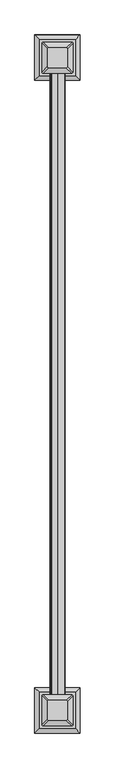
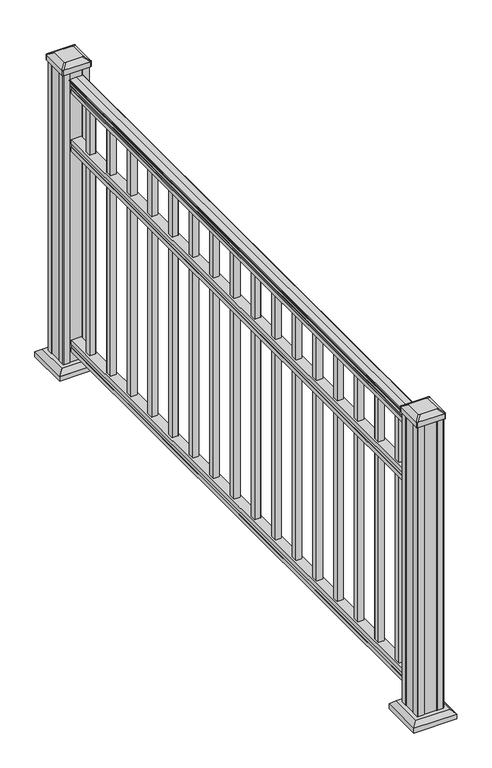
"""IFC4 building model written with IfcOpenShell, lengths in millimetres: railing geometry."""

from ifc_helpers import new_model, si_unit, point, frame, frame_2d, origin, origin_with_axes, place, context, project, spatial, polyline, circle_curve, trimmed, segment, composite_curve, outline, extrude, faceted_brep, source, transform, mapped, element, save
from ifc_brep_helpers import plane_surface, extruded_surface, advanced_brep


def railing_1520f9e8(model_context):
    return source(origin(), model_context, "Body", "SolidModel", [
        extrude(outline(composite_curve([segment(polyline([(938.4043297, -401.8210301), (940.292412, -401.8210301)]), True, "CONTINUOUS"), segment(trimmed(circle_curve(frame_2d((946.0506383, -408.1357833)), 8.545951), [point((940.292412, -401.8210301))], [point((941.8546695, -400.6908438))], False, "CARTESIAN"), True, "CONTINUOUS"), segment(trimmed(circle_curve(frame_2d((945.4636577, -407.6987204)), 7.882584), [point((941.8546695, -400.6908438))], [point((949.0726458, -400.6908438))], False, "CARTESIAN"), True, "CONTINUOUS"), segment(trimmed(circle_curve(frame_2d((951.3112527, -397.1853963)), 4.1592695), [point((949.0726458, -400.6908438))], [point((951.5060812, -401.3401002))], True, "CARTESIAN"), True, "CONTINUOUS"), segment(trimmed(circle_curve(frame_2d((951.2508864, -395.8980897)), 5.4479907), [point((951.5060812, -401.3401002))], [point((955.8362083, -398.8401002))], True, "CARTESIAN"), True, "CONTINUOUS"), segment(trimmed(circle_curve(frame_2d((955.833395, -397.1312481)), 1.7088543), [point((955.8362083, -398.8401002))], [point((957.5157972, -397.4307577))], True, "CARTESIAN"), True, "CONTINUOUS"), segment(trimmed(circle_curve(frame_2d((958.6205318, -398.7481482)), 1.7192895), [point((957.5157972, -397.4307577))], [point((958.6205318, -397.0288587))], False, "CARTESIAN"), True, "CONTINUOUS"), segment(polyline([(958.6205318, -397.0288587), (959.9608158, -397.0288588)]), True, "CONTINUOUS"), segment(trimmed(circle_curve(frame_2d((959.9608158, -398.582306)), 1.5534472), [point((959.9608158, -397.0288588))], [point((961.514263, -398.582306))], False, "CARTESIAN"), True, "CONTINUOUS"), segment(polyline([(961.514263, -398.582306), (961.514263, -419.2538588), (961.514263, -439.9254116)]), True, "CONTINUOUS"), segment(trimmed(circle_curve(frame_2d((959.9608158, -439.9254116)), 1.5534472), [point((961.514263, -439.9254116))], [point((959.9608158, -441.4788588))], False, "CARTESIAN"), True, "CONTINUOUS"), segment(polyline([(959.9608158, -441.4788588), (958.6205318, -441.4788588)]), True, "CONTINUOUS"), segment(trimmed(circle_curve(frame_2d((958.6205318, -439.7595694)), 1.7192895), [point((958.6205318, -441.4788588))], [point((957.5157972, -441.0769599))], False, "CARTESIAN"), True, "CONTINUOUS"), segment(trimmed(circle_curve(frame_2d((955.833395, -441.3764695)), 1.7088543), [point((957.5157972, -441.0769599))], [point((955.8362083, -439.6676174))], True, "CARTESIAN"), True, "CONTINUOUS"), segment(trimmed(circle_curve(frame_2d((951.2508864, -442.6096279)), 5.4479907), [point((955.8362083, -439.6676174))], [point((951.5060812, -437.1676174))], True, "CARTESIAN"), True, "CONTINUOUS"), segment(trimmed(circle_curve(frame_2d((951.3112527, -441.3223214)), 4.1592695), [point((951.5060812, -437.1676174))], [point((949.0726458, -437.8168738))], True, "CARTESIAN"), True, "CONTINUOUS"), segment(trimmed(circle_curve(frame_2d((945.4636577, -430.8089972)), 7.882584), [point((949.0726458, -437.8168738))], [point((941.8546695, -437.8168738))], False, "CARTESIAN"), True, "CONTINUOUS"), segment(trimmed(circle_curve(frame_2d((946.0506383, -430.3719343)), 8.545951), [point((941.8546695, -437.8168738))], [point((940.292412, -436.6866875))], False, "CARTESIAN"), True, "CONTINUOUS"), segment(polyline([(940.292412, -436.6866875), (938.4043297, -436.6866875)]), True, "CONTINUOUS"), segment(trimmed(circle_curve(frame_2d((938.4043297, -435.3997732)), 1.2869144), [point((938.4043297, -436.6866875))], [point((938.4043297, -434.1128588))], False, "CARTESIAN"), True, "CONTINUOUS"), segment(polyline([(938.4043297, -434.1128588), (927.9048283, -434.1128588), (926.8888283, -435.1288588), (914.4, -435.1288588), (914.4, -403.3788588), (926.731013, -403.3788588), (927.747013, -404.3948588), (938.4043297, -404.3948588)]), True, "CONTINUOUS"), segment(trimmed(circle_curve(frame_2d((938.4043297, -403.1079444)), 1.2869144), [point((938.4043297, -404.3948588))], [point((938.4043297, -401.8210301))], False, "CARTESIAN"), True, "CONTINUOUS")], self_intersect=False)), frame((0.0, -109953.0786705, 0.0), z_axis=(0.0, 1.0, 0.0), x_axis=(0.0, 0.0, 1.0)), (0.0, 0.0, 1.0), 1828.8),
        extrude(outline(polyline([(736.4541976, -403.3413719), (737.7546183, -404.3573719), (748.1141717, -404.3573719), (749.4624492, -403.3413719), (761.9958781, -403.3413719), (761.9958781, -435.0913719), (749.4458024, -435.0913719), (748.0975248, -434.0753719), (737.7858283, -434.0753719), (736.4375508, -435.0913719), (723.9, -435.0913719), (723.9, -403.3413719), (736.4541976, -403.3413719)])), frame((0.0, -109953.0786705, 0.0), z_axis=(0.0, 1.0, 0.0), x_axis=(0.0, 0.0, 1.0)), (0.0, 0.0, 1.0), 1828.8),
        extrude(outline(polyline([(76.0541976, -403.3413719), (77.3546183, -404.3573719), (87.7141717, -404.3573719), (89.0624492, -403.3413719), (101.5958781, -403.3413719), (101.5958781, -435.0913719), (89.0458024, -435.0913719), (87.6975248, -434.0753719), (77.3858283, -434.0753719), (76.0375508, -435.0913719), (63.5, -435.0913719), (63.5, -403.3413719), (76.0541976, -403.3413719)])), frame((0.0, -109953.0786705, 0.0), z_axis=(0.0, 1.0, 0.0), x_axis=(0.0, 0.0, 1.0)), (0.0, 0.0, 1.0), 1828.8),
        extrude(outline(polyline([(-409.7288588, -108212.7976705), (-428.7788588, -108212.7976705), (-428.7788588, -108193.7476705), (-409.7288588, -108193.7476705), (-409.7288588, -108212.7976705)]), holes=[polyline([(-410.1257338, -108212.4007955), (-410.1257338, -108194.1445455), (-428.3819838, -108194.1445455), (-428.3819838, -108212.4007955), (-410.1257338, -108212.4007955)])]), frame((0.0, 0.0, 101.5958781), z_axis=(0.0, 0.0, 1.0), x_axis=(1.0, 0.0, 0.0)), (0.0, 0.0, 1.0), 812.8041219),
        extrude(outline(polyline([(-409.7288588, -108324.0496705), (-428.7788588, -108324.0496705), (-428.7788588, -108304.9996705), (-409.7288588, -108304.9996705), (-409.7288588, -108324.0496705)]), holes=[polyline([(-410.1257338, -108323.6527955), (-410.1257338, -108305.3965455), (-428.3819838, -108305.3965455), (-428.3819838, -108323.6527955), (-410.1257338, -108323.6527955)])]), frame((0.0, 0.0, 101.5958781), z_axis=(0.0, 0.0, 1.0), x_axis=(1.0, 0.0, 0.0)), (0.0, 0.0, 1.0), 812.8041219),
        extrude(outline(polyline([(-409.7288588, -108435.3016705), (-428.7788588, -108435.3016705), (-428.7788588, -108416.2516705), (-409.7288588, -108416.2516705), (-409.7288588, -108435.3016705)]), holes=[polyline([(-410.1257338, -108434.9047955), (-410.1257338, -108416.6485455), (-428.3819838, -108416.6485455), (-428.3819838, -108434.9047955), (-410.1257338, -108434.9047955)])]), frame((0.0, 0.0, 101.5958781), z_axis=(0.0, 0.0, 1.0), x_axis=(1.0, 0.0, 0.0)), (0.0, 0.0, 1.0), 812.8041219),
        extrude(outline(polyline([(-409.7288588, -108546.5536705), (-428.7788588, -108546.5536705), (-428.7788588, -108527.5036705), (-409.7288588, -108527.5036705), (-409.7288588, -108546.5536705)]), holes=[polyline([(-410.1257338, -108546.1567955), (-410.1257338, -108527.9005455), (-428.3819838, -108527.9005455), (-428.3819838, -108546.1567955), (-410.1257338, -108546.1567955)])]), frame((0.0, 0.0, 101.5958781), z_axis=(0.0, 0.0, 1.0), x_axis=(1.0, 0.0, 0.0)), (0.0, 0.0, 1.0), 812.8041219),
        extrude(outline(polyline([(-409.7288588, -108657.8056705), (-428.7788588, -108657.8056705), (-428.7788588, -108638.7556705), (-409.7288588, -108638.7556705), (-409.7288588, -108657.8056705)]), holes=[polyline([(-410.1257338, -108657.4087955), (-410.1257338, -108639.1525455), (-428.3819838, -108639.1525455), (-428.3819838, -108657.4087955), (-410.1257338, -108657.4087955)])]), frame((0.0, 0.0, 101.5958781), z_axis=(0.0, 0.0, 1.0), x_axis=(1.0, 0.0, 0.0)), (0.0, 0.0, 1.0), 812.8041219),
        extrude(outline(polyline([(-409.7288588, -108769.0576705), (-428.7788588, -108769.0576705), (-428.7788588, -108750.0076705), (-409.7288588, -108750.0076705), (-409.7288588, -108769.0576705)]), holes=[polyline([(-410.1257338, -108768.6607955), (-410.1257338, -108750.4045455), (-428.3819838, -108750.4045455), (-428.3819838, -108768.6607955), (-410.1257338, -108768.6607955)])]), frame((0.0, 0.0, 101.5958781), z_axis=(0.0, 0.0, 1.0), x_axis=(1.0, 0.0, 0.0)), (0.0, 0.0, 1.0), 812.8041219),
        extrude(outline(polyline([(-409.7288588, -108880.3096705), (-428.7788588, -108880.3096705), (-428.7788588, -108861.2596705), (-409.7288588, -108861.2596705), (-409.7288588, -108880.3096705)]), holes=[polyline([(-410.1257338, -108879.9127955), (-410.1257338, -108861.6565455), (-428.3819838, -108861.6565455), (-428.3819838, -108879.9127955), (-410.1257338, -108879.9127955)])]), frame((0.0, 0.0, 101.5958781), z_axis=(0.0, 0.0, 1.0), x_axis=(1.0, 0.0, 0.0)), (0.0, 0.0, 1.0), 812.8041219),
        extrude(outline(polyline([(-409.7288588, -108991.5616705), (-428.7788588, -108991.5616705), (-428.7788588, -108972.5116705), (-409.7288588, -108972.5116705), (-409.7288588, -108991.5616705)]), holes=[polyline([(-410.1257338, -108991.1647955), (-410.1257338, -108972.9085455), (-428.3819838, -108972.9085455), (-428.3819838, -108991.1647955), (-410.1257338, -108991.1647955)])]), frame((0.0, 0.0, 101.5958781), z_axis=(0.0, 0.0, 1.0), x_axis=(1.0, 0.0, 0.0)), (0.0, 0.0, 1.0), 812.8041219),
        extrude(outline(polyline([(-409.7288588, -109102.8136705), (-428.7788588, -109102.8136705), (-428.7788588, -109083.7636705), (-409.7288588, -109083.7636705), (-409.7288588, -109102.8136705)]), holes=[polyline([(-410.1257338, -109102.4167955), (-410.1257338, -109084.1605455), (-428.3819838, -109084.1605455), (-428.3819838, -109102.4167955), (-410.1257338, -109102.4167955)])]), frame((0.0, 0.0, 101.5958781), z_axis=(0.0, 0.0, 1.0), x_axis=(1.0, 0.0, 0.0)), (0.0, 0.0, 1.0), 812.8041219),
        extrude(outline(polyline([(-409.7288588, -109214.0656705), (-428.7788588, -109214.0656705), (-428.7788588, -109195.0156705), (-409.7288588, -109195.0156705), (-409.7288588, -109214.0656705)]), holes=[polyline([(-410.1257338, -109213.6687955), (-410.1257338, -109195.4125455), (-428.3819838, -109195.4125455), (-428.3819838, -109213.6687955), (-410.1257338, -109213.6687955)])]), frame((0.0, 0.0, 101.5958781), z_axis=(0.0, 0.0, 1.0), x_axis=(1.0, 0.0, 0.0)), (0.0, 0.0, 1.0), 812.8041219),
        extrude(outline(polyline([(-409.7288588, -109325.3176705), (-428.7788588, -109325.3176705), (-428.7788588, -109306.2676705), (-409.7288588, -109306.2676705), (-409.7288588, -109325.3176705)]), holes=[polyline([(-410.1257338, -109324.9207955), (-410.1257338, -109306.6645455), (-428.3819838, -109306.6645455), (-428.3819838, -109324.9207955), (-410.1257338, -109324.9207955)])]), frame((0.0, 0.0, 101.5958781), z_axis=(0.0, 0.0, 1.0), x_axis=(1.0, 0.0, 0.0)), (0.0, 0.0, 1.0), 812.8041219),
        extrude(outline(polyline([(-409.7288588, -109436.5696705), (-428.7788588, -109436.5696705), (-428.7788588, -109417.5196705), (-409.7288588, -109417.5196705), (-409.7288588, -109436.5696705)]), holes=[polyline([(-410.1257338, -109436.1727955), (-410.1257338, -109417.9165455), (-428.3819838, -109417.9165455), (-428.3819838, -109436.1727955), (-410.1257338, -109436.1727955)])]), frame((0.0, 0.0, 101.5958781), z_axis=(0.0, 0.0, 1.0), x_axis=(1.0, 0.0, 0.0)), (0.0, 0.0, 1.0), 812.8041219),
        extrude(outline(polyline([(-409.7288588, -109547.8216705), (-428.7788588, -109547.8216705), (-428.7788588, -109528.7716705), (-409.7288588, -109528.7716705), (-409.7288588, -109547.8216705)]), holes=[polyline([(-410.1257338, -109547.4247955), (-410.1257338, -109529.1685455), (-428.3819838, -109529.1685455), (-428.3819838, -109547.4247955), (-410.1257338, -109547.4247955)])]), frame((0.0, 0.0, 101.5958781), z_axis=(0.0, 0.0, 1.0), x_axis=(1.0, 0.0, 0.0)), (0.0, 0.0, 1.0), 812.8041219),
        extrude(outline(polyline([(-409.7288588, -109659.0736705), (-428.7788588, -109659.0736705), (-428.7788588, -109640.0236705), (-409.7288588, -109640.0236705), (-409.7288588, -109659.0736705)]), holes=[polyline([(-410.1257338, -109658.6767955), (-410.1257338, -109640.4205455), (-428.3819838, -109640.4205455), (-428.3819838, -109658.6767955), (-410.1257338, -109658.6767955)])]), frame((0.0, 0.0, 101.5958781), z_axis=(0.0, 0.0, 1.0), x_axis=(1.0, 0.0, 0.0)), (0.0, 0.0, 1.0), 812.8041219),
        extrude(outline(polyline([(-409.7288588, -109770.3256705), (-428.7788588, -109770.3256705), (-428.7788588, -109751.2756705), (-409.7288588, -109751.2756705), (-409.7288588, -109770.3256705)]), holes=[polyline([(-410.1257338, -109769.9287955), (-410.1257338, -109751.6725455), (-428.3819838, -109751.6725455), (-428.3819838, -109769.9287955), (-410.1257338, -109769.9287955)])]), frame((0.0, 0.0, 101.5958781), z_axis=(0.0, 0.0, 1.0), x_axis=(1.0, 0.0, 0.0)), (0.0, 0.0, 1.0), 812.8041219),
        extrude(outline(polyline([(-409.7288588, -109881.5776705), (-428.7788588, -109881.5776705), (-428.7788588, -109862.5276705), (-409.7288588, -109862.5276705), (-409.7288588, -109881.5776705)]), holes=[polyline([(-410.1257338, -109881.1807955), (-410.1257338, -109862.9245455), (-428.3819838, -109862.9245455), (-428.3819838, -109881.1807955), (-410.1257338, -109881.1807955)])]), frame((0.0, 0.0, 101.5958781), z_axis=(0.0, 0.0, 1.0), x_axis=(1.0, 0.0, 0.0)), (0.0, 0.0, 1.0), 812.8041219),
        faceted_brep([(-366.6679213, -108135.462608, 28.575), (-366.6679213, -108030.290733, 28.575), (-471.8397963, -108030.290733, 28.575), (-471.8397963, -108135.462608, 28.575), (-352.6284682, -108149.5020611, 15.24), (-485.8792494, -108149.5020611, 15.24), (-485.8792494, -108016.2512798, 15.24), (-352.6284682, -108016.2512798, 15.24)], [[[0, 1, 2, 3]], [[4, 5, 6, 7]], [[4, 0, 3, 5]], [[5, 3, 2, 6]], [[6, 2, 1, 7]], [[7, 1, 0, 4]]]),
        extrude(outline(polyline([(-352.6284682, -108149.5020611), (-485.8792494, -108149.5020611), (-485.8792494, -108016.2512798), (-352.6284682, -108016.2512798), (-352.6284682, -108149.5020611)])), origin_with_axes(), (0.0, 0.0, 1.0), 15.24),
        advanced_brep(
        [(-445.0507338, -108111.8485455, 1012.825), (-393.4569838, -108111.8485455, 1012.825), (-390.2819838, -108108.6735455, 1012.825), (-390.2819838, -108057.0797955, 1012.825), (-393.4569838, -108053.9047955, 1012.825), (-445.0507338, -108053.9047955, 1012.825), (-448.2257338, -108057.0797955, 1012.825), (-448.2257338, -108108.6735455, 1012.825), (-461.3226088, -108128.1204205, 1001.522), (-464.4976088, -108124.9454205, 1001.522), (-464.4976088, -108040.8079205, 1001.522), (-461.3226088, -108037.6329205, 1001.522), (-377.1851088, -108037.6329205, 1001.522), (-374.0101088, -108040.8079205, 1001.522), (-374.0101088, -108124.9454205, 1001.522), (-377.1851088, -108128.1204205, 1001.522)],
        [
            (0, 1),
            (1, 2, circle_curve(frame((-393.4569838, -108108.6735455, 1012.825), z_axis=(0.0, 0.0, 1.0), x_axis=(0.0, 1.0, 0.0)), 3.175)),
            (2, 3),
            (3, 4, circle_curve(frame((-393.4569838, -108057.0797955, 1012.825), z_axis=(0.0, 0.0, 1.0), x_axis=(0.0, 1.0, 0.0)), 3.175)),
            (4, 5),
            (5, 6, circle_curve(frame((-445.0507338, -108057.0797955, 1012.825), z_axis=(0.0, 0.0, 1.0), x_axis=(0.0, 1.0, 0.0)), 3.175)),
            (6, 7),
            (7, 0, circle_curve(frame((-445.0507338, -108108.6735455, 1012.825), z_axis=(0.0, 0.0, 1.0), x_axis=(0.0, 1.0, 0.0)), 3.175)),
            (8, 9, circle_curve(frame((-461.3226088, -108124.9454205, 1001.522), z_axis=(0.0, 0.0, -1.0), x_axis=(0.0, 1.0, 0.0)), 3.175)),
            (9, 10),
            (10, 11, circle_curve(frame((-461.3226088, -108040.8079205, 1001.522), z_axis=(0.0, 0.0, -1.0), x_axis=(0.0, 1.0, 0.0)), 3.175)),
            (11, 12),
            (12, 13, circle_curve(frame((-377.1851088, -108040.8079205, 1001.522), z_axis=(0.0, 0.0, -1.0), x_axis=(0.0, 1.0, 0.0)), 3.175)),
            (13, 14),
            (14, 15, circle_curve(frame((-377.1851088, -108124.9454205, 1001.522), z_axis=(0.0, 0.0, -1.0), x_axis=(0.0, 1.0, 0.0)), 3.175)),
            (15, 8),
            (8, 0),
            (7, 9),
            (6, 10),
            (5, 11),
            (4, 12),
            (3, 13),
            (2, 14),
            (1, 15),
        ],
        [
            plane_surface(frame((-419.2538588, -108082.8766705, 1012.825), z_axis=(0.0, 0.0, 1.0), x_axis=(-1.0, 0.0, 0.0))),
            plane_surface(frame((-419.2538588, -108082.8766705, 1001.522), z_axis=(0.0, 0.0, -1.0), x_axis=(-1.0, 0.0, 0.0))),
            extruded_surface(trimmed(circle_curve(frame((-445.0507338, -108108.6735455, 1012.825), z_axis=(0.0, 0.0, -1.0), x_axis=(0.0, 1.0, 0.0)), 3.175), [point((-445.0507338, -108111.8485455, 1012.825))], [point((-448.2257338, -108108.6735455, 1012.825))], True, "CARTESIAN"), (-16.271875000000023, -16.27187499999127, -11.302999999999997), 25.637972638860635),
            plane_surface(frame((-464.4976088, -108082.8766705, 1001.522), z_axis=(-0.5705009161540779, 0.0, 0.8212969649690408), x_axis=(0.0, 1.0, 0.0))),
            extruded_surface(trimmed(circle_curve(frame((-445.0507338, -108057.0797955, 1012.825), z_axis=(0.0, 0.0, -1.0), x_axis=(0.0, 1.0, 0.0)), 3.175), [point((-448.2257338, -108057.0797955, 1012.825))], [point((-445.0507338, -108053.9047955, 1012.825))], True, "CARTESIAN"), (-16.271875000000023, 16.27187500000582, -11.302999999999997), 25.637972638869872),
            plane_surface(frame((-419.2538588, -108037.6329205, 1001.522), z_axis=(0.0, 0.5705009161540291, 0.8212969649690747), x_axis=(1.0, 0.0, 0.0))),
            extruded_surface(trimmed(circle_curve(frame((-393.4569838, -108057.0797955, 1012.825), z_axis=(0.0, 0.0, -1.0), x_axis=(0.0, 1.0, 0.0)), 3.175), [point((-393.4569838, -108053.9047955, 1012.825))], [point((-390.2819838, -108057.0797955, 1012.825))], True, "CARTESIAN"), (16.271874999999966, 16.27187500000582, -11.302999999999997), 25.637972638869837),
            plane_surface(frame((-374.0101088, -108082.8766705, 1001.522), z_axis=(0.5705009161540141, 0.0, 0.8212969649690851), x_axis=(0.0, -1.0, 0.0))),
            extruded_surface(trimmed(circle_curve(frame((-393.4569838, -108108.6735455, 1012.825), z_axis=(0.0, 0.0, -1.0), x_axis=(0.0, 1.0, 0.0)), 3.175), [point((-390.2819838, -108108.6735455, 1012.825))], [point((-393.4569838, -108111.8485455, 1012.825))], True, "CARTESIAN"), (16.271874999999966, -16.27187499999127, -11.302999999999997), 25.6379726388606),
            plane_surface(frame((-419.2538588, -108128.1204205, 1001.522), z_axis=(0.0, -0.570500916154034, 0.8212969649690713), x_axis=(-1.0, 0.0, 0.0))),
        ],
        [
            (0, [[1, 2, 3, 4, 5, 6, 7, 8]]),
            (1, [[9, 10, 11, 12, 13, 14, 15, 16]]),
            (2, [[17, -8, 18, -9]]),
            (3, [[-18, -7, 19, -10]]),
            (4, [[-19, -6, 20, -11]]),
            (5, [[-20, -5, 21, -12]]),
            (6, [[-21, -4, 22, -13]]),
            (7, [[-22, -3, 23, -14]]),
            (8, [[-23, -2, 24, -15]]),
            (9, [[-24, -1, -17, -16]]),
        ],
    ),
        extrude(outline(composite_curve([segment(trimmed(circle_curve(frame_2d((-461.3226088, -108124.9454205)), 3.175), [point((-461.3226088, -108128.1204205))], [point((-464.4976088, -108124.9454205))], False, "CARTESIAN"), True, "CONTINUOUS"), segment(polyline([(-464.4976088, -108124.9454205), (-464.4976088, -108040.8079205)]), True, "CONTINUOUS"), segment(trimmed(circle_curve(frame_2d((-461.3226088, -108040.8079205)), 3.175), [point((-464.4976088, -108040.8079205))], [point((-461.3226088, -108037.6329205))], False, "CARTESIAN"), True, "CONTINUOUS"), segment(polyline([(-461.3226088, -108037.6329205), (-377.1851088, -108037.6329205)]), True, "CONTINUOUS"), segment(trimmed(circle_curve(frame_2d((-377.1851088, -108040.8079205)), 3.175), [point((-377.1851088, -108037.6329205))], [point((-374.0101088, -108040.8079205))], False, "CARTESIAN"), True, "CONTINUOUS"), segment(polyline([(-374.0101088, -108040.8079205), (-374.0101088, -108124.9454205)]), True, "CONTINUOUS"), segment(trimmed(circle_curve(frame_2d((-377.1851088, -108124.9454205)), 3.175), [point((-374.0101088, -108124.9454205))], [point((-377.1851088, -108128.1204205))], False, "CARTESIAN"), True, "CONTINUOUS"), segment(polyline([(-377.1851088, -108128.1204205), (-461.3226088, -108128.1204205)]), True, "CONTINUOUS")], self_intersect=False)), frame((0.0, 0.0, 984.25), z_axis=(0.0, 0.0, 1.0), x_axis=(1.0, 0.0, 0.0)), (0.0, 0.0, 1.0), 17.272),
        extrude(outline(polyline([(-458.9413588, -108124.1516705), (-460.5288588, -108122.5641705), (-460.5288588, -108102.9426705), (-458.9413588, -108102.1806705), (-458.9413588, -108063.5726705), (-460.5288588, -108062.8106705), (-460.5288588, -108043.1891705), (-458.9413588, -108041.6016705), (-439.3198588, -108041.6016705), (-438.5578588, -108043.1891705), (-399.9498588, -108043.1891705), (-399.1878588, -108041.6016705), (-379.5663588, -108041.6016705), (-377.9788588, -108043.1891705), (-377.9788588, -108062.8106705), (-379.5663588, -108063.5726705), (-379.5663588, -108102.1806705), (-377.9788588, -108102.9426705), (-377.9788588, -108122.5641705), (-379.5663588, -108124.1516705), (-399.1878588, -108124.1516705), (-399.9498588, -108122.5641705), (-438.5578588, -108122.5641705), (-439.3198588, -108124.1516705), (-458.9413588, -108124.1516705)])), origin_with_axes(), (0.0, 0.0, 1.0), 984.25),
        faceted_brep([(-366.6679213, -110047.066608, 28.575), (-366.6679213, -109941.894733, 28.575), (-471.8397963, -109941.894733, 28.575), (-471.8397963, -110047.066608, 28.575), (-352.6284682, -110061.1060611, 15.24), (-485.8792494, -110061.1060611, 15.24), (-485.8792494, -109927.8552798, 15.24), (-352.6284682, -109927.8552798, 15.24)], [[[0, 1, 2, 3]], [[4, 5, 6, 7]], [[4, 0, 3, 5]], [[5, 3, 2, 6]], [[6, 2, 1, 7]], [[7, 1, 0, 4]]]),
        extrude(outline(polyline([(-352.6284682, -110061.1060611), (-485.8792494, -110061.1060611), (-485.8792494, -109927.8552798), (-352.6284682, -109927.8552798), (-352.6284682, -110061.1060611)])), origin_with_axes(), (0.0, 0.0, 1.0), 15.24),
        advanced_brep(
        [(-445.0507338, -110023.4525455, 1012.825), (-393.4569838, -110023.4525455, 1012.825), (-390.2819838, -110020.2775455, 1012.825), (-390.2819838, -109968.6837955, 1012.825), (-393.4569838, -109965.5087955, 1012.825), (-445.0507338, -109965.5087955, 1012.825), (-448.2257338, -109968.6837955, 1012.825), (-448.2257338, -110020.2775455, 1012.825), (-461.3226088, -110039.7244205, 1001.522), (-464.4976088, -110036.5494205, 1001.522), (-464.4976088, -109952.4119205, 1001.522), (-461.3226088, -109949.2369205, 1001.522), (-377.1851088, -109949.2369205, 1001.522), (-374.0101088, -109952.4119205, 1001.522), (-374.0101088, -110036.5494205, 1001.522), (-377.1851088, -110039.7244205, 1001.522)],
        [
            (0, 1),
            (1, 2, circle_curve(frame((-393.4569838, -110020.2775455, 1012.825), z_axis=(0.0, 0.0, 1.0), x_axis=(0.0, 1.0, 0.0)), 3.175)),
            (2, 3),
            (3, 4, circle_curve(frame((-393.4569838, -109968.6837955, 1012.825), z_axis=(0.0, 0.0, 1.0), x_axis=(0.0, 1.0, 0.0)), 3.175)),
            (4, 5),
            (5, 6, circle_curve(frame((-445.0507338, -109968.6837955, 1012.825), z_axis=(0.0, 0.0, 1.0), x_axis=(0.0, 1.0, 0.0)), 3.175)),
            (6, 7),
            (7, 0, circle_curve(frame((-445.0507338, -110020.2775455, 1012.825), z_axis=(0.0, 0.0, 1.0), x_axis=(0.0, 1.0, 0.0)), 3.175)),
            (8, 9, circle_curve(frame((-461.3226088, -110036.5494205, 1001.522), z_axis=(0.0, 0.0, -1.0), x_axis=(0.0, 1.0, 0.0)), 3.175)),
            (9, 10),
            (10, 11, circle_curve(frame((-461.3226088, -109952.4119205, 1001.522), z_axis=(0.0, 0.0, -1.0), x_axis=(0.0, 1.0, 0.0)), 3.175)),
            (11, 12),
            (12, 13, circle_curve(frame((-377.1851088, -109952.4119205, 1001.522), z_axis=(0.0, 0.0, -1.0), x_axis=(0.0, 1.0, 0.0)), 3.175)),
            (13, 14),
            (14, 15, circle_curve(frame((-377.1851088, -110036.5494205, 1001.522), z_axis=(0.0, 0.0, -1.0), x_axis=(0.0, 1.0, 0.0)), 3.175)),
            (15, 8),
            (8, 0),
            (7, 9),
            (6, 10),
            (5, 11),
            (4, 12),
            (3, 13),
            (2, 14),
            (1, 15),
        ],
        [
            plane_surface(frame((-419.2538588, -109994.4806705, 1012.825), z_axis=(0.0, 0.0, 1.0), x_axis=(-1.0, 0.0, 0.0))),
            plane_surface(frame((-419.2538588, -109994.4806705, 1001.522), z_axis=(0.0, 0.0, -1.0), x_axis=(-1.0, 0.0, 0.0))),
            extruded_surface(trimmed(circle_curve(frame((-445.0507338, -110020.2775455, 1012.825), z_axis=(0.0, 0.0, -1.0), x_axis=(0.0, 1.0, 0.0)), 3.175), [point((-445.0507338, -110023.4525455, 1012.825))], [point((-448.2257338, -110020.2775455, 1012.825))], True, "CARTESIAN"), (-16.271875000000023, -16.27187500000582, -11.302999999999997), 25.637972638869872),
            plane_surface(frame((-464.4976088, -109994.4806705, 1001.522), z_axis=(-0.5705009161540779, 0.0, 0.8212969649690408), x_axis=(0.0, 1.0, 0.0))),
            extruded_surface(trimmed(circle_curve(frame((-445.0507338, -109968.6837955, 1012.825), z_axis=(0.0, 0.0, -1.0), x_axis=(0.0, 1.0, 0.0)), 3.175), [point((-448.2257338, -109968.6837955, 1012.825))], [point((-445.0507338, -109965.5087955, 1012.825))], True, "CARTESIAN"), (-16.271875000000023, 16.27187499999127, -11.302999999999997), 25.637972638860635),
            plane_surface(frame((-419.2538588, -109949.2369205, 1001.522), z_axis=(0.0, 0.5705009161540291, 0.8212969649690747), x_axis=(1.0, 0.0, 0.0))),
            extruded_surface(trimmed(circle_curve(frame((-393.4569838, -109968.6837955, 1012.825), z_axis=(0.0, 0.0, -1.0), x_axis=(0.0, 1.0, 0.0)), 3.175), [point((-393.4569838, -109965.5087955, 1012.825))], [point((-390.2819838, -109968.6837955, 1012.825))], True, "CARTESIAN"), (16.271874999999966, 16.27187499999127, -11.302999999999997), 25.6379726388606),
            plane_surface(frame((-374.0101088, -109994.4806705, 1001.522), z_axis=(0.5705009161540141, 0.0, 0.8212969649690851), x_axis=(0.0, -1.0, 0.0))),
            extruded_surface(trimmed(circle_curve(frame((-393.4569838, -110020.2775455, 1012.825), z_axis=(0.0, 0.0, -1.0), x_axis=(0.0, 1.0, 0.0)), 3.175), [point((-390.2819838, -110020.2775455, 1012.825))], [point((-393.4569838, -110023.4525455, 1012.825))], True, "CARTESIAN"), (16.271874999999966, -16.27187500000582, -11.302999999999997), 25.637972638869837),
            plane_surface(frame((-419.2538588, -110039.7244205, 1001.522), z_axis=(0.0, -0.570500916154034, 0.8212969649690713), x_axis=(-1.0, 0.0, 0.0))),
        ],
        [
            (0, [[1, 2, 3, 4, 5, 6, 7, 8]]),
            (1, [[9, 10, 11, 12, 13, 14, 15, 16]]),
            (2, [[17, -8, 18, -9]]),
            (3, [[-18, -7, 19, -10]]),
            (4, [[-19, -6, 20, -11]]),
            (5, [[-20, -5, 21, -12]]),
            (6, [[-21, -4, 22, -13]]),
            (7, [[-22, -3, 23, -14]]),
            (8, [[-23, -2, 24, -15]]),
            (9, [[-24, -1, -17, -16]]),
        ],
    ),
        extrude(outline(composite_curve([segment(trimmed(circle_curve(frame_2d((-461.3226088, -110036.5494205)), 3.175), [point((-461.3226088, -110039.7244205))], [point((-464.4976088, -110036.5494205))], False, "CARTESIAN"), True, "CONTINUOUS"), segment(polyline([(-464.4976088, -110036.5494205), (-464.4976088, -109952.4119205)]), True, "CONTINUOUS"), segment(trimmed(circle_curve(frame_2d((-461.3226088, -109952.4119205)), 3.175), [point((-464.4976088, -109952.4119205))], [point((-461.3226088, -109949.2369205))], False, "CARTESIAN"), True, "CONTINUOUS"), segment(polyline([(-461.3226088, -109949.2369205), (-377.1851088, -109949.2369205)]), True, "CONTINUOUS"), segment(trimmed(circle_curve(frame_2d((-377.1851088, -109952.4119205)), 3.175), [point((-377.1851088, -109949.2369205))], [point((-374.0101088, -109952.4119205))], False, "CARTESIAN"), True, "CONTINUOUS"), segment(polyline([(-374.0101088, -109952.4119205), (-374.0101088, -110036.5494205)]), True, "CONTINUOUS"), segment(trimmed(circle_curve(frame_2d((-377.1851088, -110036.5494205)), 3.175), [point((-374.0101088, -110036.5494205))], [point((-377.1851088, -110039.7244205))], False, "CARTESIAN"), True, "CONTINUOUS"), segment(polyline([(-377.1851088, -110039.7244205), (-461.3226088, -110039.7244205)]), True, "CONTINUOUS")], self_intersect=False)), frame((0.0, 0.0, 984.25), z_axis=(0.0, 0.0, 1.0), x_axis=(1.0, 0.0, 0.0)), (0.0, 0.0, 1.0), 17.272),
        extrude(outline(polyline([(-458.9413588, -110035.7556705), (-460.5288588, -110034.1681705), (-460.5288588, -110014.5466705), (-458.9413588, -110013.7846705), (-458.9413588, -109975.1766705), (-460.5288588, -109974.4146705), (-460.5288588, -109954.7931705), (-458.9413588, -109953.2056705), (-439.3198588, -109953.2056705), (-438.5578588, -109954.7931705), (-399.9498588, -109954.7931705), (-399.1878588, -109953.2056705), (-379.5663588, -109953.2056705), (-377.9788588, -109954.7931705), (-377.9788588, -109974.4146705), (-379.5663588, -109975.1766705), (-379.5663588, -110013.7846705), (-377.9788588, -110014.5466705), (-377.9788588, -110034.1681705), (-379.5663588, -110035.7556705), (-399.1878588, -110035.7556705), (-399.9498588, -110034.1681705), (-438.5578588, -110034.1681705), (-439.3198588, -110035.7556705), (-458.9413588, -110035.7556705)])), origin_with_axes(), (0.0, 0.0, 1.0), 984.25),
    ])


if __name__ == "__main__":
    model = new_model("IFC4")
    model_context = context("Model", 3, world=origin())
    ifc_project = project(units=[si_unit("LENGTHUNIT", "METRE", prefix="MILLI")], contexts=[model_context])
    site = spatial("IfcSite", under=ifc_project)
    building = spatial("IfcBuilding", under=site)
    placement = place(None, origin())
    railing_shape = railing_1520f9e8(model_context)
    element("IfcRailing", 1, at=placement, inside=building, context=model_context, shape_type="MappedRepresentation", body=[
        mapped(railing_shape, transform((0.0, 0.0, 0.0), x_axis=(1.0, 0.0, 0.0), y_axis=(0.0, 1.0, 0.0), z_axis=(0.0, 0.0, 1.0))),
    ])
    save(model, "model.ifc")
